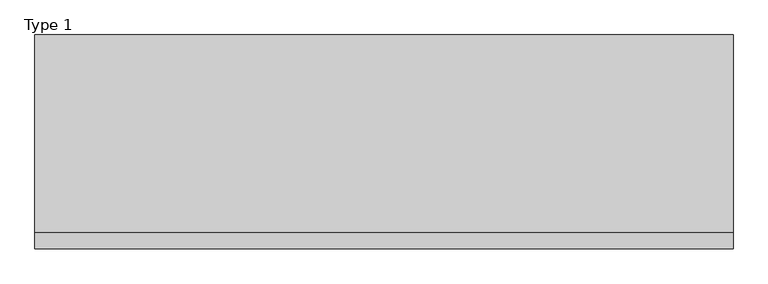
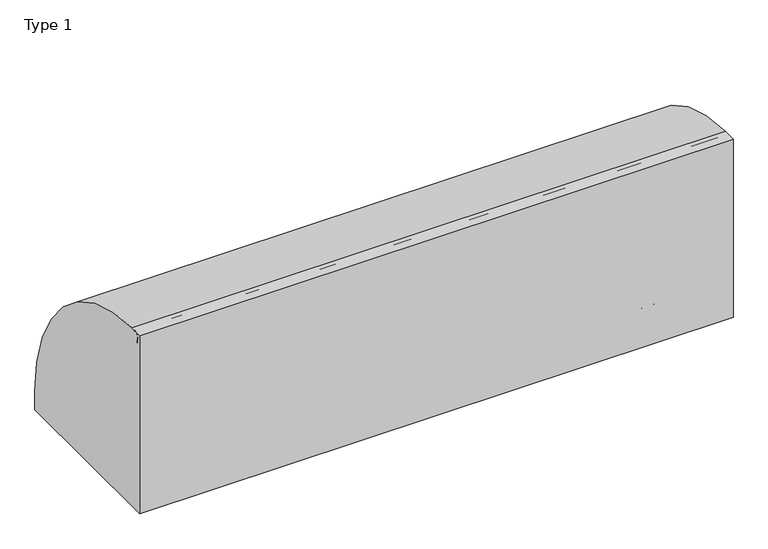
"""IFC4 building model written with IfcOpenShell, lengths in millimetres: railing geometry, Type 1."""

from ifc_helpers import new_model, si_unit, point, frame, frame_2d, origin, place, context, project, spatial, polyline, circle_curve, trimmed, segment, composite_curve, outline, extrude, source, transform, mapped, element, save
from ifc_brep_helpers import plane_surface, cylinder_surface, revolved_surface, advanced_brep


def type_1_86784739(model_context):
    return source(origin(), model_context, "Body", "SolidModel", [
        extrude(outline(composite_curve([segment(polyline([(-824.2, 1050.0), (-747.6546144, 1050.0)]), True, "CONTINUOUS"), segment(trimmed(circle_curve(frame_2d((-754.8273072, 108.0)), 942.0273072), [point((-747.6546144, 1050.0))], [point((187.2, 108.0))], False, "CARTESIAN"), True, "CONTINUOUS"), segment(polyline([(187.2, 108.0), (187.2, 0.0), (-824.2, 0.0), (-824.2, 1050.0)]), True, "CONTINUOUS")], self_intersect=False)), frame((-415.0, 0.0, 0.0), z_axis=(1.0, 0.0, 0.0), x_axis=(0.0, 1.0, 0.0)), (0.0, 0.0, 1.0), 3305.0),
        extrude(outline(composite_curve([segment(trimmed(circle_curve(frame_2d((-746.287505, 538.0)), 20.0), [point((-727.7, 530.617273))], [point((-762.0, 525.6259343))], False, "CARTESIAN"), True, "CONTINUOUS"), segment(polyline([(-762.0, 525.6259343), (-762.0, 550.3740657)]), True, "CONTINUOUS"), segment(trimmed(circle_curve(frame_2d((-746.287505, 538.0)), 20.0), [point((-762.0, 550.3740657))], [point((-727.7, 545.382727))], False, "CARTESIAN"), True, "CONTINUOUS"), segment(polyline([(-727.7, 545.382727), (-731.7, 545.382727), (-731.7, 530.617273), (-727.7, 530.617273)]), True, "CONTINUOUS")], self_intersect=False)), frame((-393.0, 0.0, 0.0), z_axis=(1.0, 0.0, 0.0), x_axis=(0.0, 1.0, 0.0)), (0.0, 0.0, 1.0), 3243.0),
        extrude(outline(composite_curve([segment(trimmed(circle_curve(frame_2d((-781.0, 1025.0)), 25.0), [point((-802.0, 1011.43534))], [point((-760.0, 1011.43534))], False, "CARTESIAN"), True, "CONTINUOUS"), segment(polyline([(-760.0, 1011.43534), (-760.0, 993.0), (-761.0, 993.0), (-761.0, 1008.0), (-801.0, 1008.0), (-801.0, 993.0), (-802.0, 993.0), (-802.0, 1011.43534)]), True, "CONTINUOUS")], self_intersect=False)), frame((-415.0, 0.0, 0.0), z_axis=(1.0, 0.0, 0.0), x_axis=(0.0, 1.0, 0.0)), (0.0, 0.0, 1.0), 3305.0),
        extrude(outline(composite_curve([segment(polyline([(-800.0, 185.0), (-767.1999123, 185.0)]), True, "CONTINUOUS"), segment(trimmed(circle_curve(frame_2d((-767.1999123, 112.1212122)), 72.8787879), [point((-767.1999123, 185.0))], [point((-715.6668272, 163.6542973))], False, "CARTESIAN"), True, "CONTINUOUS"), segment(polyline([(-715.6668272, 163.6542973), (-601.4657725, 49.4532425)]), True, "CONTINUOUS"), segment(trimmed(circle_curve(frame_2d((-609.3939394, 41.5250756)), 11.2121212), [point((-601.4657725, 49.4532425))], [point((-598.1818182, 41.5250756))], False, "CARTESIAN"), True, "CONTINUOUS"), segment(polyline([(-598.1818182, 41.5250756), (-598.1818182, 0.0), (-800.0, 0.0), (-800.0, 185.0)]), True, "CONTINUOUS")], self_intersect=False), holes=[composite_curve([segment(trimmed(circle_curve(frame_2d((-705.7014901, 93.0361975)), 5.6060606), [point((-711.3075507, 93.0361975))], [point((-700.0954295, 93.0361975))], True, "CARTESIAN"), True, "CONTINUOUS"), segment(trimmed(circle_curve(frame_2d((-778.6969697, 93.0361975)), 78.6015402), [point((-700.0954295, 93.0361975))], [point((-778.6969697, 171.6377377))], True, "CARTESIAN"), True, "CONTINUOUS"), segment(trimmed(circle_curve(frame_2d((-778.6969697, 166.0316771)), 5.6060606), [point((-778.6969697, 171.6377377))], [point((-784.3030303, 166.0316771))], True, "CARTESIAN"), True, "CONTINUOUS"), segment(polyline([(-784.3030303, 166.0316771), (-784.3030303, 143.5676849)]), True, "CONTINUOUS"), segment(trimmed(circle_curve(frame_2d((-778.6969697, 143.5676849)), 5.6060606), [point((-784.3030303, 143.5676849))], [point((-773.0909091, 143.5676849))], True, "CARTESIAN"), True, "CONTINUOUS"), segment(polyline([(-773.0909091, 143.5676849), (-773.0909091, 157.7293747)]), True, "CONTINUOUS"), segment(trimmed(circle_curve(frame_2d((-770.8668077, 157.7293747)), 2.2241014), [point((-773.0909091, 157.7293747))], [point((-770.5995631, 159.9373619))], False, "CARTESIAN"), True, "CONTINUOUS"), segment(trimmed(circle_curve(frame_2d((-778.6969697, 93.0361975)), 67.389419), [point((-770.5995631, 159.9373619))], [point((-711.3075507, 93.0361975))], False, "CARTESIAN"), True, "CONTINUOUS")], self_intersect=False)]), frame((1215.0, 0.0, 0.0), z_axis=(1.0, 0.0, 0.0), x_axis=(0.0, 1.0, 0.0)), (0.0, 0.0, 1.0), 2.5),
        advanced_brep(
        [(1282.5, -800.0, 185.0), (1282.5, -767.1999123, 185.0), (1282.5, -715.6668272, 163.6542973), (1282.5, -601.4657725, 49.4532425), (1282.5, -598.1818182, 41.5250756), (1282.5, -598.1818182, 0.0), (1282.5, -800.0, 0.0), (1282.5, -800.0, 100.9768515), (1282.5, -711.3075507, 93.0361975), (1282.5, -700.0954295, 93.0361975), (1282.5, -778.6969697, 171.6377377), (1282.5, -784.3030303, 166.0316771), (1282.5, -784.3030303, 143.5676849), (1282.5, -773.0909091, 143.5676849), (1282.5, -773.0909091, 157.7293747), (1282.5, -770.5995631, 159.9373619), (1285.0, -800.0, 0.0), (1285.0, -598.1818182, 0.0), (1285.0, -598.1818182, 41.5250756), (1285.0, -601.4657725, 49.4532425), (1285.0, -715.6668272, 163.6542973), (1285.0, -767.1999123, 185.0), (1285.0, -802.0, 185.0), (1285.0, -802.0, 100.9768515), (1285.0, -800.0, 100.9768515), (1285.0, -711.3075507, 93.0361975), (1285.0, -770.5995631, 159.9373619), (1285.0, -773.0909091, 157.7293747), (1285.0, -773.0909091, 143.5676849), (1285.0, -784.3030303, 143.5676849), (1285.0, -784.3030303, 166.0316771), (1285.0, -778.6969697, 171.6377377), (1285.0, -700.0954295, 93.0361975), (1215.0, -800.0, 185.0), (1215.0, -802.0, 185.0), (1215.0, -802.0, 100.9768515), (1215.0, -800.0, 100.9768515)],
        [
            (0, 1),
            (1, 2, circle_curve(frame((1282.5, -767.1999123, 112.1212122), z_axis=(-1.0, 0.0, 0.0), x_axis=(0.0, -1.0, 0.0)), 72.8787879)),
            (2, 3),
            (3, 4, circle_curve(frame((1282.5, -609.3939394, 41.5250756), z_axis=(-1.0, 0.0, 0.0), x_axis=(0.0, -1.0, 0.0)), 11.2121212)),
            (4, 5),
            (5, 6),
            (6, 7),
            (7, 0),
            (8, 9, circle_curve(frame((1282.5, -705.7014901, 93.0361975), z_axis=(1.0, 0.0, 0.0), x_axis=(0.0, -1.0, 0.0)), 5.6060606)),
            (9, 10, circle_curve(frame((1282.5, -778.6969697, 93.0361975), z_axis=(1.0, 0.0, 0.0), x_axis=(0.0, -1.0, 0.0)), 78.6015402)),
            (10, 11, circle_curve(frame((1282.5, -778.6969697, 166.0316771), z_axis=(1.0, 0.0, 0.0), x_axis=(0.0, -1.0, 0.0)), 5.6060606)),
            (11, 12),
            (12, 13, circle_curve(frame((1282.5, -778.6969697, 143.5676849), z_axis=(1.0, 0.0, 0.0), x_axis=(0.0, -1.0, 0.0)), 5.6060606)),
            (13, 14),
            (14, 15, circle_curve(frame((1282.5, -770.8668077, 157.7293747), z_axis=(-1.0, 0.0, 0.0), x_axis=(0.0, -1.0, 0.0)), 2.2241014)),
            (15, 8, circle_curve(frame((1282.5, -778.6969697, 93.0361975), z_axis=(-1.0, 0.0, 0.0), x_axis=(0.0, -1.0, 0.0)), 67.389419)),
            (16, 17),
            (17, 18),
            (18, 19, circle_curve(frame((1285.0, -609.3939394, 41.5250756), z_axis=(1.0, 0.0, 0.0), x_axis=(0.0, -1.0, 0.0)), 11.2121212)),
            (19, 20),
            (20, 21, circle_curve(frame((1285.0, -767.1999123, 112.1212122), z_axis=(1.0, 0.0, 0.0), x_axis=(0.0, -1.0, 0.0)), 72.8787879)),
            (21, 22),
            (22, 23),
            (23, 24),
            (24, 16),
            (25, 26, circle_curve(frame((1285.0, -778.6969697, 93.0361975), z_axis=(1.0, 0.0, 0.0), x_axis=(0.0, -1.0, 0.0)), 67.389419)),
            (26, 27, circle_curve(frame((1285.0, -770.8668077, 157.7293747), z_axis=(1.0, 0.0, 0.0), x_axis=(0.0, -1.0, 0.0)), 2.2241014)),
            (27, 28),
            (28, 29, circle_curve(frame((1285.0, -778.6969697, 143.5676849), z_axis=(-1.0, 0.0, 0.0), x_axis=(0.0, -1.0, 0.0)), 5.6060606)),
            (29, 30),
            (30, 31, circle_curve(frame((1285.0, -778.6969697, 166.0316771), z_axis=(-1.0, 0.0, 0.0), x_axis=(0.0, -1.0, 0.0)), 5.6060606)),
            (31, 32, circle_curve(frame((1285.0, -778.6969697, 93.0361975), z_axis=(-1.0, 0.0, 0.0), x_axis=(0.0, -1.0, 0.0)), 78.6015402)),
            (32, 25, circle_curve(frame((1285.0, -705.7014901, 93.0361975), z_axis=(-1.0, 0.0, 0.0), x_axis=(0.0, -1.0, 0.0)), 5.6060606)),
            (0, 33),
            (33, 34),
            (34, 22),
            (21, 1),
            (20, 2),
            (19, 3),
            (18, 4),
            (17, 5),
            (16, 6),
            (24, 7),
            (8, 25),
            (32, 9),
            (31, 10),
            (30, 11),
            (15, 26),
            (29, 12),
            (28, 13),
            (27, 14),
            (34, 35),
            (35, 23),
            (36, 33),
            (7, 36),
            (36, 35),
        ],
        [
            plane_surface(frame((1282.5, -798.2270223, 185.0), z_axis=(-1.0, 0.0, 0.0), x_axis=(0.0, 1.0, 0.0))),
            plane_surface(frame((1285.0, -798.2270223, 185.0), z_axis=(1.0, 0.0, 0.0), x_axis=(0.0, -1.0, 0.0))),
            plane_surface(frame((1282.5, -800.0, 185.0), z_axis=(0.0, 0.0, 1.0), x_axis=(1.0, 0.0, 0.0))),
            cylinder_surface(frame((1285.0, -767.1999123, 112.1212122), z_axis=(-1.0, 0.0, 0.0), x_axis=(0.0, -1.0, 0.0)), 72.8787879),
            plane_surface(frame((1282.5, -715.6668272, 163.6542973), z_axis=(0.0, 0.7071067811865421, 0.7071067811865529), x_axis=(1.0, 0.0, 0.0))),
            cylinder_surface(frame((1285.0, -609.3939394, 41.5250756), z_axis=(-1.0, 0.0, 0.0), x_axis=(0.0, -1.0, 0.0)), 11.2121212),
            plane_surface(frame((1282.5, -598.1818182, 41.5250756), z_axis=(0.0, 1.0, 0.0), x_axis=(1.0, 0.0, 0.0))),
            plane_surface(frame((1282.5, -598.1818182, 0.0), z_axis=(0.0, 0.0, -1.0), x_axis=(1.0, 0.0, 0.0))),
            plane_surface(frame((1282.5, -800.0, 0.0), z_axis=(0.0, -1.0, 0.0), x_axis=(1.0, 0.0, 0.0))),
            revolved_surface(polyline([(1285.0, -711.3075507, 93.0361975), (1282.5, -711.3075507, 93.0361975)]), (1285.0, -705.7014901, 93.0361975), (1.0, 0.0, 0.0)),
            revolved_surface(polyline([(1285.0, -857.2985099, 93.0361975), (1282.5, -857.2985099, 93.0361975)]), (1285.0, -778.6969697, 93.0361975), (1.0, 0.0, 0.0)),
            revolved_surface(polyline([(1285.0, -784.3030302999999, 166.0316771), (1282.5, -784.3030302999999, 166.0316771)]), (1285.0, -778.6969697, 166.0316771), (1.0, 0.0, 0.0)),
            cylinder_surface(frame((1285.0, -778.6969697, 93.0361975), z_axis=(-1.0, 0.0, 0.0), x_axis=(0.0, -1.0, 0.0)), 67.389419),
            plane_surface(frame((1282.5, -784.3030303, 166.0316771), z_axis=(0.0, 1.0, 0.0), x_axis=(1.0, 0.0, 0.0))),
            revolved_surface(polyline([(1285.0, -784.3030302999999, 143.5676849), (1282.5, -784.3030302999999, 143.5676849)]), (1285.0, -778.6969697, 143.5676849), (1.0, 0.0, 0.0)),
            plane_surface(frame((1282.5, -773.0909091, 143.5676849), z_axis=(0.0, -1.0, 0.0), x_axis=(1.0, 0.0, 0.0))),
            cylinder_surface(frame((1285.0, -770.8668077, 157.7293747), z_axis=(-1.0, 0.0, 0.0), x_axis=(0.0, -1.0, 0.0)), 2.2241014),
            plane_surface(frame((1215.0, -802.0, 185.0), z_axis=(0.0, -1.0, 0.0), x_axis=(-1.0, 0.0, 0.0))),
            plane_surface(frame((1215.0, -800.0, 185.0), z_axis=(0.0, 1.0, 0.0), x_axis=(1.0, 0.0, 0.0))),
            plane_surface(frame((1215.0, -802.0, 185.0), z_axis=(-1.0, 0.0, 0.0), x_axis=(0.0, 1.0, 0.0))),
            plane_surface(frame((1215.0, -802.0, 100.9768515), z_axis=(0.0, 0.0, -1.0), x_axis=(0.0, 1.0, 0.0))),
        ],
        [
            (0, [[1, 2, 3, 4, 5, 6, 7, 8], [9, 10, 11, 12, 13, 14, 15, 16]]),
            (1, [[17, 18, 19, 20, 21, 22, 23, 24, 25], [26, 27, 28, 29, 30, 31, 32, 33]]),
            (2, [[-1, 34, 35, 36, -22, 37]]),
            (3, [[-2, -37, -21, 38]]),
            (4, [[-3, -38, -20, 39]]),
            (5, [[-4, -39, -19, 40]]),
            (6, [[-5, -40, -18, 41]]),
            (7, [[-6, -41, -17, 42]]),
            (8, [[-42, -25, 43, -7]]),
            (9, [[-9, 44, -33, 45]]),
            (10, [[-10, -45, -32, 46]]),
            (11, [[-11, -46, -31, 47]]),
            (12, [[-16, 48, -26, -44]]),
            (13, [[-12, -47, -30, 49]]),
            (14, [[-13, -49, -29, 50]]),
            (15, [[-14, -50, -28, 51]]),
            (16, [[-15, -51, -27, -48]]),
            (17, [[-36, 52, 53, -23]]),
            (18, [[54, -34, -8, 55]]),
            (19, [[-52, -35, -54, 56]]),
            (20, [[-53, -56, -55, -43, -24]]),
        ],
    ),
        extrude(outline(composite_curve([segment(trimmed(circle_curve(frame_2d((1227.0, -795.0)), 5.0), [point((1227.0, -800.0))], [point((1222.0, -795.0))], False, "CARTESIAN"), True, "CONTINUOUS"), segment(polyline([(1222.0, -795.0), (1222.0, -767.0)]), True, "CONTINUOUS"), segment(trimmed(circle_curve(frame_2d((1227.0, -767.0)), 5.0), [point((1222.0, -767.0))], [point((1227.0, -762.0))], False, "CARTESIAN"), True, "CONTINUOUS"), segment(polyline([(1227.0, -762.0), (1273.0, -762.0)]), True, "CONTINUOUS"), segment(trimmed(circle_curve(frame_2d((1273.0, -767.0)), 5.0), [point((1273.0, -762.0))], [point((1278.0, -767.0))], False, "CARTESIAN"), True, "CONTINUOUS"), segment(polyline([(1278.0, -767.0), (1278.0, -795.0)]), True, "CONTINUOUS"), segment(trimmed(circle_curve(frame_2d((1273.0, -795.0)), 5.0), [point((1278.0, -795.0))], [point((1273.0, -800.0))], False, "CARTESIAN"), True, "CONTINUOUS"), segment(polyline([(1273.0, -800.0), (1227.0, -800.0)]), True, "CONTINUOUS")], self_intersect=False)), frame((0.0, 0.0, 43.0), z_axis=(0.0, 0.0, 1.0), x_axis=(1.0, 0.0, 0.0)), (0.0, 0.0, 1.0), 965.0),
        extrude(outline(composite_curve([segment(polyline([(0.0, 1282.5), (36.5, 1282.5)]), True, "CONTINUOUS"), segment(trimmed(circle_curve(frame_2d((36.5, 1281.0)), 1.5), [point((36.5, 1282.5))], [point((36.5, 1279.5))], False, "CARTESIAN"), True, "CONTINUOUS"), segment(polyline([(36.5, 1279.5), (3.0, 1279.5), (3.0, 1220.5), (36.5, 1220.5)]), True, "CONTINUOUS"), segment(trimmed(circle_curve(frame_2d((36.5, 1219.0)), 1.5), [point((36.5, 1220.5))], [point((36.5, 1217.5))], False, "CARTESIAN"), True, "CONTINUOUS"), segment(polyline([(36.5, 1217.5), (0.0, 1217.5), (0.0, 1282.5)]), True, "CONTINUOUS")], self_intersect=False)), frame((0.0, -800.0, 0.0), z_axis=(0.0, 1.0, 0.0), x_axis=(0.0, 0.0, 1.0)), (0.0, 0.0, 1.0), 800.0),
        extrude(outline(composite_curve([segment(polyline([(-800.0, 185.0), (-767.1999123, 185.0)]), True, "CONTINUOUS"), segment(trimmed(circle_curve(frame_2d((-767.1999123, 112.1212122)), 72.8787879), [point((-767.1999123, 185.0))], [point((-715.6668272, 163.6542973))], False, "CARTESIAN"), True, "CONTINUOUS"), segment(polyline([(-715.6668272, 163.6542973), (-601.4657725, 49.4532425)]), True, "CONTINUOUS"), segment(trimmed(circle_curve(frame_2d((-609.3939394, 41.5250756)), 11.2121212), [point((-601.4657725, 49.4532425))], [point((-598.1818182, 41.5250756))], False, "CARTESIAN"), True, "CONTINUOUS"), segment(polyline([(-598.1818182, 41.5250756), (-598.1818182, 0.0), (-800.0, 0.0), (-800.0, 185.0)]), True, "CONTINUOUS")], self_intersect=False), holes=[composite_curve([segment(trimmed(circle_curve(frame_2d((-705.7014901, 93.0361975)), 5.6060606), [point((-711.3075507, 93.0361975))], [point((-700.0954295, 93.0361975))], True, "CARTESIAN"), True, "CONTINUOUS"), segment(trimmed(circle_curve(frame_2d((-778.6969697, 93.0361975)), 78.6015402), [point((-700.0954295, 93.0361975))], [point((-778.6969697, 171.6377377))], True, "CARTESIAN"), True, "CONTINUOUS"), segment(trimmed(circle_curve(frame_2d((-778.6969697, 166.0316771)), 5.6060606), [point((-778.6969697, 171.6377377))], [point((-784.3030303, 166.0316771))], True, "CARTESIAN"), True, "CONTINUOUS"), segment(polyline([(-784.3030303, 166.0316771), (-784.3030303, 143.5676849)]), True, "CONTINUOUS"), segment(trimmed(circle_curve(frame_2d((-778.6969697, 143.5676849)), 5.6060606), [point((-784.3030303, 143.5676849))], [point((-773.0909091, 143.5676849))], True, "CARTESIAN"), True, "CONTINUOUS"), segment(polyline([(-773.0909091, 143.5676849), (-773.0909091, 157.7293747)]), True, "CONTINUOUS"), segment(trimmed(circle_curve(frame_2d((-770.8668077, 157.7293747)), 2.2241014), [point((-773.0909091, 157.7293747))], [point((-770.5995631, 159.9373619))], False, "CARTESIAN"), True, "CONTINUOUS"), segment(trimmed(circle_curve(frame_2d((-778.6969697, 93.0361975)), 67.389419), [point((-770.5995631, 159.9373619))], [point((-711.3075507, 93.0361975))], False, "CARTESIAN"), True, "CONTINUOUS")], self_intersect=False)]), frame((2437.0, 0.0, 0.0), z_axis=(1.0, 0.0, 0.0), x_axis=(0.0, 1.0, 0.0)), (0.0, 0.0, 1.0), 2.5),
        advanced_brep(
        [(2504.5, -800.0, 185.0), (2504.5, -767.1999123, 185.0), (2504.5, -715.6668272, 163.6542973), (2504.5, -601.4657725, 49.4532425), (2504.5, -598.1818182, 41.5250756), (2504.5, -598.1818182, 0.0), (2504.5, -800.0, 0.0), (2504.5, -800.0, 100.9768515), (2504.5, -711.3075507, 93.0361975), (2504.5, -700.0954295, 93.0361975), (2504.5, -778.6969697, 171.6377377), (2504.5, -784.3030303, 166.0316771), (2504.5, -784.3030303, 143.5676849), (2504.5, -773.0909091, 143.5676849), (2504.5, -773.0909091, 157.7293747), (2504.5, -770.5995631, 159.9373619), (2507.0, -800.0, 0.0), (2507.0, -598.1818182, 0.0), (2507.0, -598.1818182, 41.5250756), (2507.0, -601.4657725, 49.4532425), (2507.0, -715.6668272, 163.6542973), (2507.0, -767.1999123, 185.0), (2507.0, -802.0, 185.0), (2507.0, -802.0, 100.9768515), (2507.0, -800.0, 100.9768515), (2507.0, -711.3075507, 93.0361975), (2507.0, -770.5995631, 159.9373619), (2507.0, -773.0909091, 157.7293747), (2507.0, -773.0909091, 143.5676849), (2507.0, -784.3030303, 143.5676849), (2507.0, -784.3030303, 166.0316771), (2507.0, -778.6969697, 171.6377377), (2507.0, -700.0954295, 93.0361975), (2437.0, -800.0, 185.0), (2437.0, -802.0, 185.0), (2437.0, -802.0, 100.9768515), (2437.0, -800.0, 100.9768515)],
        [
            (0, 1),
            (1, 2, circle_curve(frame((2504.5, -767.1999123, 112.1212122), z_axis=(-1.0, 0.0, 0.0), x_axis=(0.0, -1.0, 0.0)), 72.8787879)),
            (2, 3),
            (3, 4, circle_curve(frame((2504.5, -609.3939394, 41.5250756), z_axis=(-1.0, 0.0, 0.0), x_axis=(0.0, -1.0, 0.0)), 11.2121212)),
            (4, 5),
            (5, 6),
            (6, 7),
            (7, 0),
            (8, 9, circle_curve(frame((2504.5, -705.7014901, 93.0361975), z_axis=(1.0, 0.0, 0.0), x_axis=(0.0, -1.0, 0.0)), 5.6060606)),
            (9, 10, circle_curve(frame((2504.5, -778.6969697, 93.0361975), z_axis=(1.0, 0.0, 0.0), x_axis=(0.0, -1.0, 0.0)), 78.6015402)),
            (10, 11, circle_curve(frame((2504.5, -778.6969697, 166.0316771), z_axis=(1.0, 0.0, 0.0), x_axis=(0.0, -1.0, 0.0)), 5.6060606)),
            (11, 12),
            (12, 13, circle_curve(frame((2504.5, -778.6969697, 143.5676849), z_axis=(1.0, 0.0, 0.0), x_axis=(0.0, -1.0, 0.0)), 5.6060606)),
            (13, 14),
            (14, 15, circle_curve(frame((2504.5, -770.8668077, 157.7293747), z_axis=(-1.0, 0.0, 0.0), x_axis=(0.0, -1.0, 0.0)), 2.2241014)),
            (15, 8, circle_curve(frame((2504.5, -778.6969697, 93.0361975), z_axis=(-1.0, 0.0, 0.0), x_axis=(0.0, -1.0, 0.0)), 67.389419)),
            (16, 17),
            (17, 18),
            (18, 19, circle_curve(frame((2507.0, -609.3939394, 41.5250756), z_axis=(1.0, 0.0, 0.0), x_axis=(0.0, -1.0, 0.0)), 11.2121212)),
            (19, 20),
            (20, 21, circle_curve(frame((2507.0, -767.1999123, 112.1212122), z_axis=(1.0, 0.0, 0.0), x_axis=(0.0, -1.0, 0.0)), 72.8787879)),
            (21, 22),
            (22, 23),
            (23, 24),
            (24, 16),
            (25, 26, circle_curve(frame((2507.0, -778.6969697, 93.0361975), z_axis=(1.0, 0.0, 0.0), x_axis=(0.0, -1.0, 0.0)), 67.389419)),
            (26, 27, circle_curve(frame((2507.0, -770.8668077, 157.7293747), z_axis=(1.0, 0.0, 0.0), x_axis=(0.0, -1.0, 0.0)), 2.2241014)),
            (27, 28),
            (28, 29, circle_curve(frame((2507.0, -778.6969697, 143.5676849), z_axis=(-1.0, 0.0, 0.0), x_axis=(0.0, -1.0, 0.0)), 5.6060606)),
            (29, 30),
            (30, 31, circle_curve(frame((2507.0, -778.6969697, 166.0316771), z_axis=(-1.0, 0.0, 0.0), x_axis=(0.0, -1.0, 0.0)), 5.6060606)),
            (31, 32, circle_curve(frame((2507.0, -778.6969697, 93.0361975), z_axis=(-1.0, 0.0, 0.0), x_axis=(0.0, -1.0, 0.0)), 78.6015402)),
            (32, 25, circle_curve(frame((2507.0, -705.7014901, 93.0361975), z_axis=(-1.0, 0.0, 0.0), x_axis=(0.0, -1.0, 0.0)), 5.6060606)),
            (0, 33),
            (33, 34),
            (34, 22),
            (21, 1),
            (20, 2),
            (19, 3),
            (18, 4),
            (17, 5),
            (16, 6),
            (24, 7),
            (8, 25),
            (32, 9),
            (31, 10),
            (30, 11),
            (15, 26),
            (29, 12),
            (28, 13),
            (27, 14),
            (34, 35),
            (35, 23),
            (36, 33),
            (7, 36),
            (36, 35),
        ],
        [
            plane_surface(frame((2504.5, -798.2270223, 185.0), z_axis=(-1.0, 0.0, 0.0), x_axis=(0.0, 1.0, 0.0))),
            plane_surface(frame((2507.0, -798.2270223, 185.0), z_axis=(1.0, 0.0, 0.0), x_axis=(0.0, -1.0, 0.0))),
            plane_surface(frame((2504.5, -800.0, 185.0), z_axis=(0.0, 0.0, 1.0), x_axis=(1.0, 0.0, 0.0))),
            cylinder_surface(frame((2507.0, -767.1999123, 112.1212122), z_axis=(-1.0, 0.0, 0.0), x_axis=(0.0, -1.0, 0.0)), 72.8787879),
            plane_surface(frame((2504.5, -715.6668272, 163.6542973), z_axis=(0.0, 0.7071067811865421, 0.7071067811865529), x_axis=(1.0, 0.0, 0.0))),
            cylinder_surface(frame((2507.0, -609.3939394, 41.5250756), z_axis=(-1.0, 0.0, 0.0), x_axis=(0.0, -1.0, 0.0)), 11.2121212),
            plane_surface(frame((2504.5, -598.1818182, 41.5250756), z_axis=(0.0, 1.0, 0.0), x_axis=(1.0, 0.0, 0.0))),
            plane_surface(frame((2504.5, -598.1818182, 0.0), z_axis=(0.0, 0.0, -1.0), x_axis=(1.0, 0.0, 0.0))),
            plane_surface(frame((2504.5, -800.0, 0.0), z_axis=(0.0, -1.0, 0.0), x_axis=(1.0, 0.0, 0.0))),
            revolved_surface(polyline([(2507.0, -711.3075507, 93.0361975), (2504.5, -711.3075507, 93.0361975)]), (2507.0, -705.7014901, 93.0361975), (1.0, 0.0, 0.0)),
            revolved_surface(polyline([(2507.0, -857.2985099, 93.0361975), (2504.5, -857.2985099, 93.0361975)]), (2507.0, -778.6969697, 93.0361975), (1.0, 0.0, 0.0)),
            revolved_surface(polyline([(2507.0, -784.3030302999999, 166.0316771), (2504.5, -784.3030302999999, 166.0316771)]), (2507.0, -778.6969697, 166.0316771), (1.0, 0.0, 0.0)),
            cylinder_surface(frame((2507.0, -778.6969697, 93.0361975), z_axis=(-1.0, 0.0, 0.0), x_axis=(0.0, -1.0, 0.0)), 67.389419),
            plane_surface(frame((2504.5, -784.3030303, 166.0316771), z_axis=(0.0, 1.0, 0.0), x_axis=(1.0, 0.0, 0.0))),
            revolved_surface(polyline([(2507.0, -784.3030302999999, 143.5676849), (2504.5, -784.3030302999999, 143.5676849)]), (2507.0, -778.6969697, 143.5676849), (1.0, 0.0, 0.0)),
            plane_surface(frame((2504.5, -773.0909091, 143.5676849), z_axis=(0.0, -1.0, 0.0), x_axis=(1.0, 0.0, 0.0))),
            cylinder_surface(frame((2507.0, -770.8668077, 157.7293747), z_axis=(-1.0, 0.0, 0.0), x_axis=(0.0, -1.0, 0.0)), 2.2241014),
            plane_surface(frame((2437.0, -802.0, 185.0), z_axis=(0.0, -1.0, 0.0), x_axis=(-1.0, 0.0, 0.0))),
            plane_surface(frame((2437.0, -800.0, 185.0), z_axis=(0.0, 1.0, 0.0), x_axis=(1.0, 0.0, 0.0))),
            plane_surface(frame((2437.0, -802.0, 185.0), z_axis=(-1.0, 0.0, 0.0), x_axis=(0.0, 1.0, 0.0))),
            plane_surface(frame((2437.0, -802.0, 100.9768515), z_axis=(0.0, 0.0, -1.0), x_axis=(0.0, 1.0, 0.0))),
        ],
        [
            (0, [[1, 2, 3, 4, 5, 6, 7, 8], [9, 10, 11, 12, 13, 14, 15, 16]]),
            (1, [[17, 18, 19, 20, 21, 22, 23, 24, 25], [26, 27, 28, 29, 30, 31, 32, 33]]),
            (2, [[-1, 34, 35, 36, -22, 37]]),
            (3, [[-2, -37, -21, 38]]),
            (4, [[-3, -38, -20, 39]]),
            (5, [[-4, -39, -19, 40]]),
            (6, [[-5, -40, -18, 41]]),
            (7, [[-6, -41, -17, 42]]),
            (8, [[-42, -25, 43, -7]]),
            (9, [[-9, 44, -33, 45]]),
            (10, [[-10, -45, -32, 46]]),
            (11, [[-11, -46, -31, 47]]),
            (12, [[-16, 48, -26, -44]]),
            (13, [[-12, -47, -30, 49]]),
            (14, [[-13, -49, -29, 50]]),
            (15, [[-14, -50, -28, 51]]),
            (16, [[-15, -51, -27, -48]]),
            (17, [[-36, 52, 53, -23]]),
            (18, [[54, -34, -8, 55]]),
            (19, [[-52, -35, -54, 56]]),
            (20, [[-53, -56, -55, -43, -24]]),
        ],
    ),
        extrude(outline(composite_curve([segment(trimmed(circle_curve(frame_2d((2449.0, -795.0)), 5.0), [point((2449.0, -800.0))], [point((2444.0, -795.0))], False, "CARTESIAN"), True, "CONTINUOUS"), segment(polyline([(2444.0, -795.0), (2444.0, -767.0)]), True, "CONTINUOUS"), segment(trimmed(circle_curve(frame_2d((2449.0, -767.0)), 5.0), [point((2444.0, -767.0))], [point((2449.0, -762.0))], False, "CARTESIAN"), True, "CONTINUOUS"), segment(polyline([(2449.0, -762.0), (2495.0, -762.0)]), True, "CONTINUOUS"), segment(trimmed(circle_curve(frame_2d((2495.0, -767.0)), 5.0), [point((2495.0, -762.0))], [point((2500.0, -767.0))], False, "CARTESIAN"), True, "CONTINUOUS"), segment(polyline([(2500.0, -767.0), (2500.0, -795.0)]), True, "CONTINUOUS"), segment(trimmed(circle_curve(frame_2d((2495.0, -795.0)), 5.0), [point((2500.0, -795.0))], [point((2495.0, -800.0))], False, "CARTESIAN"), True, "CONTINUOUS"), segment(polyline([(2495.0, -800.0), (2449.0, -800.0)]), True, "CONTINUOUS")], self_intersect=False)), frame((0.0, 0.0, 43.0), z_axis=(0.0, 0.0, 1.0), x_axis=(1.0, 0.0, 0.0)), (0.0, 0.0, 1.0), 965.0),
        extrude(outline(composite_curve([segment(polyline([(0.0, 2504.5), (36.5, 2504.5)]), True, "CONTINUOUS"), segment(trimmed(circle_curve(frame_2d((36.5, 2503.0)), 1.5), [point((36.5, 2504.5))], [point((36.5, 2501.5))], False, "CARTESIAN"), True, "CONTINUOUS"), segment(polyline([(36.5, 2501.5), (3.0, 2501.5), (3.0, 2442.5), (36.5, 2442.5)]), True, "CONTINUOUS"), segment(trimmed(circle_curve(frame_2d((36.5, 2441.0)), 1.5), [point((36.5, 2442.5))], [point((36.5, 2439.5))], False, "CARTESIAN"), True, "CONTINUOUS"), segment(polyline([(36.5, 2439.5), (0.0, 2439.5), (0.0, 2504.5)]), True, "CONTINUOUS")], self_intersect=False)), frame((0.0, -800.0, 0.0), z_axis=(0.0, 1.0, 0.0), x_axis=(0.0, 0.0, 1.0)), (0.0, 0.0, 1.0), 800.0),
        extrude(outline(composite_curve([segment(polyline([(-800.0, 185.0), (-767.1999123, 185.0)]), True, "CONTINUOUS"), segment(trimmed(circle_curve(frame_2d((-767.1999123, 112.1212121)), 72.8787879), [point((-767.1999123, 185.0))], [point((-715.6668272, 163.6542972))], False, "CARTESIAN"), True, "CONTINUOUS"), segment(polyline([(-715.6668272, 163.6542972), (-601.4657725, 49.4532425)]), True, "CONTINUOUS"), segment(trimmed(circle_curve(frame_2d((-609.3939394, 41.5250755)), 11.2121212), [point((-601.4657725, 49.4532425))], [point((-598.1818182, 41.5250755))], False, "CARTESIAN"), True, "CONTINUOUS"), segment(polyline([(-598.1818182, 41.5250755), (-598.1818182, 0.0), (-800.0, 0.0), (-800.0, 185.0)]), True, "CONTINUOUS")], self_intersect=False), holes=[composite_curve([segment(trimmed(circle_curve(frame_2d((-705.7014901, 93.0361974)), 5.6060606), [point((-711.3075507, 93.0361974))], [point((-700.0954295, 93.0361974))], True, "CARTESIAN"), True, "CONTINUOUS"), segment(trimmed(circle_curve(frame_2d((-778.6969697, 93.0361974)), 78.6015402), [point((-700.0954295, 93.0361974))], [point((-778.6969697, 171.6377376))], True, "CARTESIAN"), True, "CONTINUOUS"), segment(trimmed(circle_curve(frame_2d((-778.6969697, 166.031677)), 5.6060606), [point((-778.6969697, 171.6377376))], [point((-784.3030303, 166.031677))], True, "CARTESIAN"), True, "CONTINUOUS"), segment(polyline([(-784.3030303, 166.031677), (-784.3030303, 143.5676849)]), True, "CONTINUOUS"), segment(trimmed(circle_curve(frame_2d((-778.6969697, 143.5676849)), 5.6060606), [point((-784.3030303, 143.5676849))], [point((-773.0909091, 143.5676849))], True, "CARTESIAN"), True, "CONTINUOUS"), segment(polyline([(-773.0909091, 143.5676849), (-773.0909091, 157.7293746)]), True, "CONTINUOUS"), segment(trimmed(circle_curve(frame_2d((-770.8668077, 157.7293746)), 2.2241014), [point((-773.0909091, 157.7293746))], [point((-770.5995631, 159.9373618))], False, "CARTESIAN"), True, "CONTINUOUS"), segment(trimmed(circle_curve(frame_2d((-778.6969697, 93.0361974)), 67.389419), [point((-770.5995631, 159.9373618))], [point((-711.3075507, 93.0361974))], False, "CARTESIAN"), True, "CONTINUOUS")], self_intersect=False)]), frame((-7.0, 0.0, 0.0), z_axis=(1.0, 0.0, 0.0), x_axis=(0.0, 1.0, 0.0)), (0.0, 0.0, 1.0), 2.5),
        advanced_brep(
        [(60.5, -800.0, 185.0), (60.5, -767.1999123, 185.0), (60.5, -715.6668272, 163.6542972), (60.5, -601.4657725, 49.4532425), (60.5, -598.1818182, 41.5250755), (60.5, -598.1818182, 0.0), (60.5, -800.0, 0.0), (60.5, -800.0, 100.9768514), (60.5, -711.3075507, 93.0361974), (60.5, -700.0954295, 93.0361974), (60.5, -778.6969697, 171.6377376), (60.5, -784.3030303, 166.031677), (60.5, -784.3030303, 143.5676849), (60.5, -773.0909091, 143.5676849), (60.5, -773.0909091, 157.7293746), (60.5, -770.5995631, 159.9373618), (63.0, -800.0, 0.0), (63.0, -598.1818182, 0.0), (63.0, -598.1818182, 41.5250755), (63.0, -601.4657725, 49.4532425), (63.0, -715.6668272, 163.6542972), (63.0, -767.1999123, 185.0), (63.0, -802.0, 185.0), (63.0, -802.0, 100.9768514), (63.0, -800.0, 100.9768514), (63.0, -711.3075507, 93.0361974), (63.0, -770.5995631, 159.9373618), (63.0, -773.0909091, 157.7293746), (63.0, -773.0909091, 143.5676849), (63.0, -784.3030303, 143.5676849), (63.0, -784.3030303, 166.031677), (63.0, -778.6969697, 171.6377376), (63.0, -700.0954295, 93.0361974), (-7.0, -800.0, 185.0), (-7.0, -802.0, 185.0), (-7.0, -802.0, 100.9768514), (-7.0, -800.0, 100.9768514)],
        [
            (0, 1),
            (1, 2, circle_curve(frame((60.5, -767.1999123, 112.1212121), z_axis=(-1.0, 0.0, 0.0), x_axis=(0.0, -1.0, 0.0)), 72.8787879)),
            (2, 3),
            (3, 4, circle_curve(frame((60.5, -609.3939394, 41.5250755), z_axis=(-1.0, 0.0, 0.0), x_axis=(0.0, -1.0, 0.0)), 11.2121212)),
            (4, 5),
            (5, 6),
            (6, 7),
            (7, 0),
            (8, 9, circle_curve(frame((60.5, -705.7014901, 93.0361974), z_axis=(1.0, 0.0, 0.0), x_axis=(0.0, -1.0, 0.0)), 5.6060606)),
            (9, 10, circle_curve(frame((60.5, -778.6969697, 93.0361974), z_axis=(1.0, 0.0, 0.0), x_axis=(0.0, -1.0, 0.0)), 78.6015402)),
            (10, 11, circle_curve(frame((60.5, -778.6969697, 166.031677), z_axis=(1.0, 0.0, 0.0), x_axis=(0.0, -1.0, 0.0)), 5.6060606)),
            (11, 12),
            (12, 13, circle_curve(frame((60.5, -778.6969697, 143.5676849), z_axis=(1.0, 0.0, 0.0), x_axis=(0.0, -1.0, 0.0)), 5.6060606)),
            (13, 14),
            (14, 15, circle_curve(frame((60.5, -770.8668077, 157.7293746), z_axis=(-1.0, 0.0, 0.0), x_axis=(0.0, -1.0, 0.0)), 2.2241014)),
            (15, 8, circle_curve(frame((60.5, -778.6969697, 93.0361974), z_axis=(-1.0, 0.0, 0.0), x_axis=(0.0, -1.0, 0.0)), 67.389419)),
            (16, 17),
            (17, 18),
            (18, 19, circle_curve(frame((63.0, -609.3939394, 41.5250755), z_axis=(1.0, 0.0, 0.0), x_axis=(0.0, -1.0, 0.0)), 11.2121212)),
            (19, 20),
            (20, 21, circle_curve(frame((63.0, -767.1999123, 112.1212121), z_axis=(1.0, 0.0, 0.0), x_axis=(0.0, -1.0, 0.0)), 72.8787879)),
            (21, 22),
            (22, 23),
            (23, 24),
            (24, 16),
            (25, 26, circle_curve(frame((63.0, -778.6969697, 93.0361974), z_axis=(1.0, 0.0, 0.0), x_axis=(0.0, -1.0, 0.0)), 67.389419)),
            (26, 27, circle_curve(frame((63.0, -770.8668077, 157.7293746), z_axis=(1.0, 0.0, 0.0), x_axis=(0.0, -1.0, 0.0)), 2.2241014)),
            (27, 28),
            (28, 29, circle_curve(frame((63.0, -778.6969697, 143.5676849), z_axis=(-1.0, 0.0, 0.0), x_axis=(0.0, -1.0, 0.0)), 5.6060606)),
            (29, 30),
            (30, 31, circle_curve(frame((63.0, -778.6969697, 166.031677), z_axis=(-1.0, 0.0, 0.0), x_axis=(0.0, -1.0, 0.0)), 5.6060606)),
            (31, 32, circle_curve(frame((63.0, -778.6969697, 93.0361974), z_axis=(-1.0, 0.0, 0.0), x_axis=(0.0, -1.0, 0.0)), 78.6015402)),
            (32, 25, circle_curve(frame((63.0, -705.7014901, 93.0361974), z_axis=(-1.0, 0.0, 0.0), x_axis=(0.0, -1.0, 0.0)), 5.6060606)),
            (0, 33),
            (33, 34),
            (34, 22),
            (21, 1),
            (20, 2),
            (19, 3),
            (18, 4),
            (17, 5),
            (16, 6),
            (24, 7),
            (8, 25),
            (32, 9),
            (31, 10),
            (30, 11),
            (15, 26),
            (29, 12),
            (28, 13),
            (27, 14),
            (34, 35),
            (35, 23),
            (36, 33),
            (7, 36),
            (36, 35),
        ],
        [
            plane_surface(frame((60.5, -798.2270223, 185.0), z_axis=(-1.0, 0.0, 0.0), x_axis=(0.0, 1.0, 0.0))),
            plane_surface(frame((63.0, -798.2270223, 185.0), z_axis=(1.0, 0.0, 0.0), x_axis=(0.0, -1.0, 0.0))),
            plane_surface(frame((60.5, -800.0, 185.0), z_axis=(0.0, 0.0, 1.0), x_axis=(1.0, 0.0, 0.0))),
            cylinder_surface(frame((63.0, -767.1999123, 112.1212121), z_axis=(-1.0, 0.0, 0.0), x_axis=(0.0, -1.0, 0.0)), 72.8787879),
            plane_surface(frame((60.5, -715.6668272, 163.6542972), z_axis=(0.0, 0.7071067811865421, 0.7071067811865529), x_axis=(1.0, 0.0, 0.0))),
            cylinder_surface(frame((63.0, -609.3939394, 41.5250755), z_axis=(-1.0, 0.0, 0.0), x_axis=(0.0, -1.0, 0.0)), 11.2121212),
            plane_surface(frame((60.5, -598.1818182, 41.5250755), z_axis=(0.0, 1.0, 0.0), x_axis=(1.0, 0.0, 0.0))),
            plane_surface(frame((60.5, -598.1818182, 0.0), z_axis=(0.0, 0.0, -1.0), x_axis=(1.0, 0.0, 0.0))),
            plane_surface(frame((60.5, -800.0, 0.0), z_axis=(0.0, -1.0, 0.0), x_axis=(1.0, 0.0, 0.0))),
            revolved_surface(polyline([(63.0, -711.3075507, 93.0361974), (60.5, -711.3075507, 93.0361974)]), (63.0, -705.7014901, 93.0361974), (1.0, 0.0, 0.0)),
            revolved_surface(polyline([(63.0, -857.2985099, 93.0361974), (60.5, -857.2985099, 93.0361974)]), (63.0, -778.6969697, 93.0361974), (1.0, 0.0, 0.0)),
            revolved_surface(polyline([(63.0, -784.3030302999999, 166.031677), (60.5, -784.3030302999999, 166.031677)]), (63.0, -778.6969697, 166.031677), (1.0, 0.0, 0.0)),
            cylinder_surface(frame((63.0, -778.6969697, 93.0361974), z_axis=(-1.0, 0.0, 0.0), x_axis=(0.0, -1.0, 0.0)), 67.389419),
            plane_surface(frame((60.5, -784.3030303, 166.031677), z_axis=(0.0, 1.0, 0.0), x_axis=(1.0, 0.0, 0.0))),
            revolved_surface(polyline([(63.0, -784.3030302999999, 143.5676849), (60.5, -784.3030302999999, 143.5676849)]), (63.0, -778.6969697, 143.5676849), (1.0, 0.0, 0.0)),
            plane_surface(frame((60.5, -773.0909091, 143.5676849), z_axis=(0.0, -1.0, 0.0), x_axis=(1.0, 0.0, 0.0))),
            cylinder_surface(frame((63.0, -770.8668077, 157.7293746), z_axis=(-1.0, 0.0, 0.0), x_axis=(0.0, -1.0, 0.0)), 2.2241014),
            plane_surface(frame((-7.0, -802.0, 185.0), z_axis=(0.0, -1.0, 0.0), x_axis=(-1.0, 0.0, 0.0))),
            plane_surface(frame((-7.0, -800.0, 185.0), z_axis=(0.0, 1.0, 0.0), x_axis=(1.0, 0.0, 0.0))),
            plane_surface(frame((-7.0, -802.0, 185.0), z_axis=(-1.0, 0.0, 0.0), x_axis=(0.0, 1.0, 0.0))),
            plane_surface(frame((-7.0, -802.0, 100.9768514), z_axis=(0.0, 0.0, -1.0), x_axis=(0.0, 1.0, 0.0))),
        ],
        [
            (0, [[1, 2, 3, 4, 5, 6, 7, 8], [9, 10, 11, 12, 13, 14, 15, 16]]),
            (1, [[17, 18, 19, 20, 21, 22, 23, 24, 25], [26, 27, 28, 29, 30, 31, 32, 33]]),
            (2, [[-1, 34, 35, 36, -22, 37]]),
            (3, [[-2, -37, -21, 38]]),
            (4, [[-3, -38, -20, 39]]),
            (5, [[-4, -39, -19, 40]]),
            (6, [[-5, -40, -18, 41]]),
            (7, [[-6, -41, -17, 42]]),
            (8, [[-42, -25, 43, -7]]),
            (9, [[-9, 44, -33, 45]]),
            (10, [[-10, -45, -32, 46]]),
            (11, [[-11, -46, -31, 47]]),
            (12, [[-16, 48, -26, -44]]),
            (13, [[-12, -47, -30, 49]]),
            (14, [[-13, -49, -29, 50]]),
            (15, [[-14, -50, -28, 51]]),
            (16, [[-15, -51, -27, -48]]),
            (17, [[-36, 52, 53, -23]]),
            (18, [[54, -34, -8, 55]]),
            (19, [[-52, -35, -54, 56]]),
            (20, [[-53, -56, -55, -43, -24]]),
        ],
    ),
        extrude(outline(composite_curve([segment(trimmed(circle_curve(frame_2d((5.0, -795.0)), 5.0), [point((5.0, -800.0))], [point((0.0, -795.0))], False, "CARTESIAN"), True, "CONTINUOUS"), segment(polyline([(0.0, -795.0), (0.0, -767.0)]), True, "CONTINUOUS"), segment(trimmed(circle_curve(frame_2d((5.0, -767.0)), 5.0), [point((0.0, -767.0))], [point((5.0, -762.0))], False, "CARTESIAN"), True, "CONTINUOUS"), segment(polyline([(5.0, -762.0), (51.0, -762.0)]), True, "CONTINUOUS"), segment(trimmed(circle_curve(frame_2d((51.0, -767.0)), 5.0), [point((51.0, -762.0))], [point((56.0, -767.0))], False, "CARTESIAN"), True, "CONTINUOUS"), segment(polyline([(56.0, -767.0), (56.0, -795.0)]), True, "CONTINUOUS"), segment(trimmed(circle_curve(frame_2d((51.0, -795.0)), 5.0), [point((56.0, -795.0))], [point((51.0, -800.0))], False, "CARTESIAN"), True, "CONTINUOUS"), segment(polyline([(51.0, -800.0), (5.0, -800.0)]), True, "CONTINUOUS")], self_intersect=False)), frame((0.0, 0.0, 43.0), z_axis=(0.0, 0.0, 1.0), x_axis=(1.0, 0.0, 0.0)), (0.0, 0.0, 1.0), 965.0),
        extrude(outline(composite_curve([segment(polyline([(0.0, 60.5), (36.5, 60.5)]), True, "CONTINUOUS"), segment(trimmed(circle_curve(frame_2d((36.5, 59.0)), 1.5), [point((36.5, 60.5))], [point((36.5, 57.5))], False, "CARTESIAN"), True, "CONTINUOUS"), segment(polyline([(36.5, 57.5), (3.0, 57.5), (3.0, -1.5), (36.5, -1.5)]), True, "CONTINUOUS"), segment(trimmed(circle_curve(frame_2d((36.5, -3.0)), 1.5), [point((36.5, -1.5))], [point((36.5, -4.5))], False, "CARTESIAN"), True, "CONTINUOUS"), segment(polyline([(36.5, -4.5), (0.0, -4.5), (0.0, 60.5)]), True, "CONTINUOUS")], self_intersect=False)), frame((0.0, -800.0, 0.0), z_axis=(0.0, 1.0, 0.0), x_axis=(0.0, 0.0, 1.0)), (0.0, 0.0, 1.0), 800.0),
    ])


if __name__ == "__main__":
    model = new_model("IFC4")
    model_context = context("Model", 3, world=origin())
    ifc_project = project(units=[si_unit("LENGTHUNIT", "METRE", prefix="MILLI")], contexts=[model_context])
    site = spatial("IfcSite", under=ifc_project)
    building = spatial("IfcBuilding", under=site)
    placement = place(None, origin())
    type_1_shape = type_1_86784739(model_context)
    element("IfcRailing", 1, ObjectType="Type 1", at=placement, inside=building, context=model_context, shape_type="MappedRepresentation", body=[
        mapped(type_1_shape, transform((0.0, 0.0, 0.0), x_axis=(1.0, 0.0, 0.0), y_axis=(0.0, 1.0, 0.0), z_axis=(0.0, 0.0, 1.0))),
    ])
    save(model, "model.ifc")
